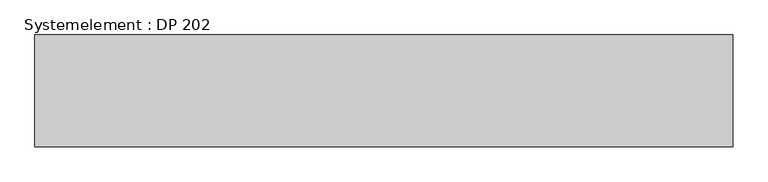
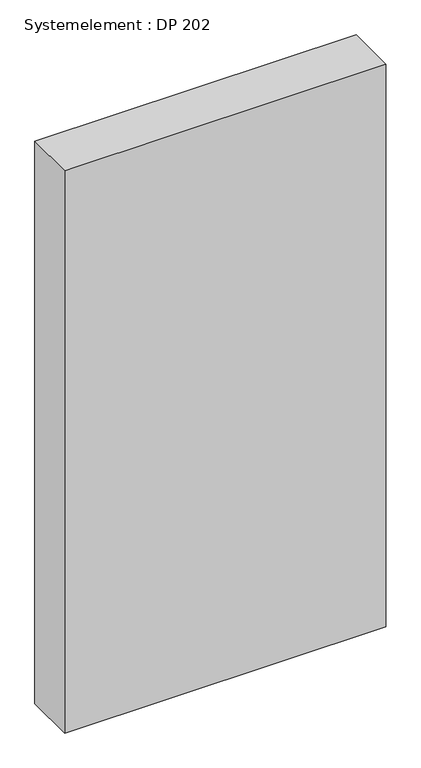
"""IFC4 building model written with IfcOpenShell, lengths in millimetres: plate geometry, Systemelement : DP 202."""

from ifc_helpers import new_model, si_unit, origin, origin_with_axes, place, context, project, spatial, polyline, outline, extrude, source, transform, mapped, element, save


def systemelement_dp_202_1bb1df99(model_context):
    return source(origin(), model_context, "Body", "SweptSolid", [
        extrude(outline(polyline([(500.0, -160.0), (-500.0, -160.0), (-500.0, 0.0), (500.0, 0.0), (500.0, -160.0)])), origin_with_axes(), (0.0, 0.0, 1.0), 1851.6147161),
    ])


if __name__ == "__main__":
    model = new_model("IFC4")
    model_context = context("Model", 3, world=origin())
    ifc_project = project(units=[si_unit("LENGTHUNIT", "METRE", prefix="MILLI")], contexts=[model_context])
    site = spatial("IfcSite", under=ifc_project)
    building = spatial("IfcBuilding", under=site)
    placement = place(None, origin())
    systemelement_dp_202_shape = systemelement_dp_202_1bb1df99(model_context)
    element("IfcPlate", 1, ObjectType="Systemelement : DP 202", at=placement, inside=building, context=model_context, shape_type="MappedRepresentation", body=[
        mapped(systemelement_dp_202_shape, transform((0.0, 0.0, 0.0), x_axis=(1.0, 0.0, 0.0), y_axis=(0.0, 1.0, 0.0), z_axis=(0.0, 0.0, 1.0))),
    ])
    save(model, "model.ifc")
